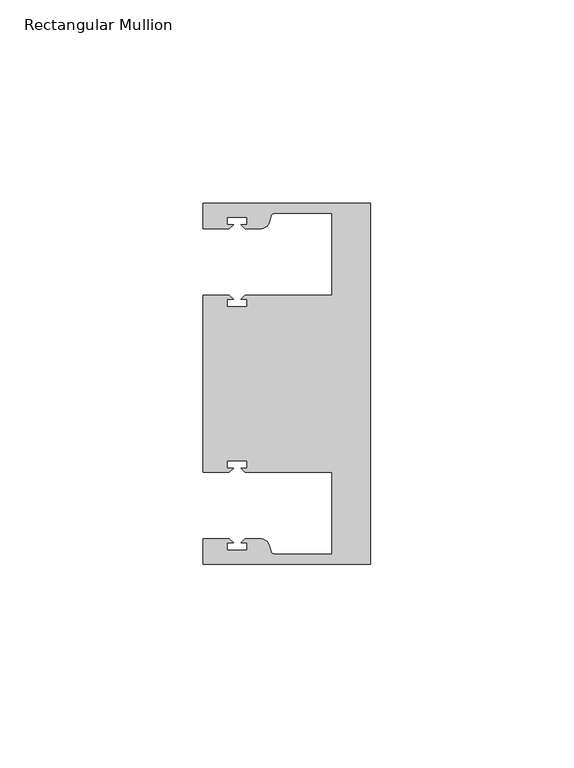
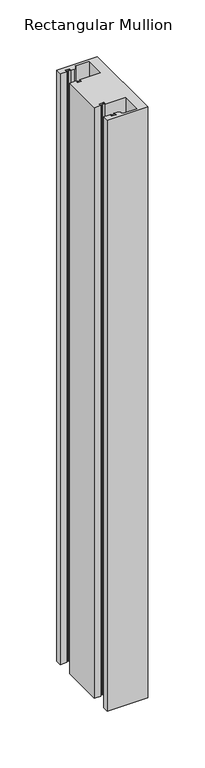
"""IFC4 building model written with IfcOpenShell, lengths in millimetres: member geometry, Rectangular Mullion."""

from ifc_helpers import new_model, si_unit, point, frame, frame_2d, origin, place, context, project, spatial, polyline, circle_curve, trimmed, segment, composite_curve, outline, extrude, source, transform, mapped, element, save


def rectangular_mullion_e3604fdc(model_context):
    return source(origin(), model_context, "Body", "SweptSolid", [
        extrude(outline(composite_curve([segment(polyline([(0.0, 44.45), (0.0, -44.45), (-41.275, -44.45), (-41.275, -38.1499897), (-34.8007531, -38.1499897), (-33.8007405, -39.1500023), (-35.3749778, -39.1500023), (-35.3749778, -40.9498819), (-30.3749831, -40.9498819), (-30.3749831, -39.1500023), (-31.949256, -39.1500023), (-30.9492503, -38.1499966), (-27.2637853, -38.1499966)]), True, "CONTINUOUS"), segment(trimmed(circle_curve(frame_2d((-27.2637853, -40.6499966)), 2.5), [point((-27.2637853, -38.1499966))], [point((-24.8489707, -40.002949))], False, "CARTESIAN"), True, "CONTINUOUS"), segment(polyline([(-24.8489707, -40.002949), (-24.5258588, -41.2088192)]), True, "CONTINUOUS"), segment(trimmed(circle_curve(frame_2d((-23.5599329, -40.9500001)), 1.0), [point((-24.5258588, -41.2088192))], [point((-23.5599329, -41.9500001))], True, "CARTESIAN"), True, "CONTINUOUS"), segment(polyline([(-23.5599329, -41.9500001), (-9.525, -41.95), (-9.525, -21.7499959), (-30.9492434, -21.7499959), (-31.949256, -20.7499834), (-30.3750186, -20.7499834), (-30.3750186, -18.949936), (-35.3750134, -18.949936), (-35.3750134, -20.7499834), (-33.8007405, -20.7499834), (-34.8007562, -21.749999), (-41.275, -21.749999), (-41.275, 21.749999), (-34.8007562, 21.749999), (-33.8007405, 20.7499834), (-35.3750134, 20.7499834), (-35.3750134, 18.949936), (-30.3750186, 18.949936), (-30.3750186, 20.7499834), (-31.949256, 20.7499834), (-30.9492434, 21.7499959), (-9.525, 21.7499959), (-9.525, 41.95), (-23.5599329, 41.95)]), True, "CONTINUOUS"), segment(trimmed(circle_curve(frame_2d((-23.5599329, 40.9500001)), 1.0), [point((-23.5599329, 41.95))], [point((-24.5258588, 41.2088192))], True, "CARTESIAN"), True, "CONTINUOUS"), segment(polyline([(-24.5258588, 41.2088192), (-24.8489707, 40.002949)]), True, "CONTINUOUS"), segment(trimmed(circle_curve(frame_2d((-27.2637853, 40.6499966)), 2.5), [point((-24.8489707, 40.002949))], [point((-27.2637853, 38.1499966))], False, "CARTESIAN"), True, "CONTINUOUS"), segment(polyline([(-27.2637853, 38.1499966), (-30.9492503, 38.1499966), (-31.949256, 39.1500023), (-30.3749831, 39.1500023), (-30.3749831, 40.9498819), (-35.3749778, 40.9498819), (-35.3749778, 39.1500023), (-33.8007405, 39.1500023), (-34.8007531, 38.1499897), (-41.2749977, 38.1499897), (-41.2749977, 44.45), (0.0, 44.45)]), True, "CONTINUOUS")], self_intersect=False)), frame((0.0, 0.0, -635.0), z_axis=(0.0, 0.0, 1.0), x_axis=(1.0, 0.0, 0.0)), (0.0, 0.0, 1.0), 635.0),
    ])


if __name__ == "__main__":
    model = new_model("IFC4")
    model_context = context("Model", 3, world=origin())
    ifc_project = project(units=[si_unit("LENGTHUNIT", "METRE", prefix="MILLI")], contexts=[model_context])
    site = spatial("IfcSite", under=ifc_project)
    building = spatial("IfcBuilding", under=site)
    placement = place(None, origin())
    rectangular_mullion_shape = rectangular_mullion_e3604fdc(model_context)
    element("IfcMember", 1, ObjectType="Rectangular Mullion", at=placement, inside=building, context=model_context, shape_type="MappedRepresentation", body=[
        mapped(rectangular_mullion_shape, transform((0.0, 0.0, 0.0), x_axis=(1.0, 0.0, 0.0), y_axis=(0.0, 1.0, 0.0), z_axis=(0.0, 0.0, 1.0))),
    ])
    save(model, "model.ifc")
